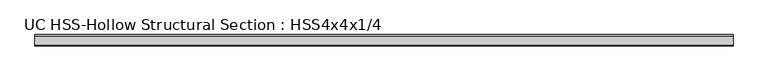
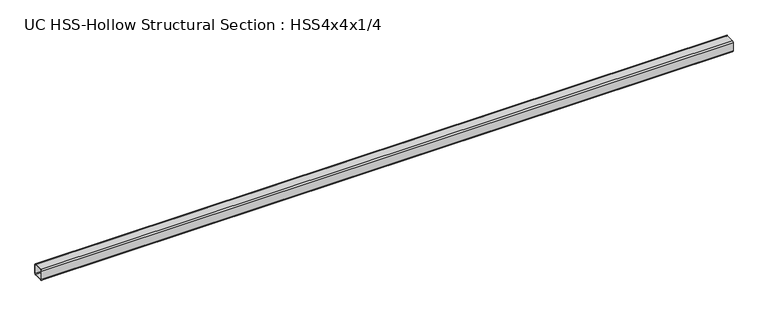
"""IFC4 building model written with IfcOpenShell, lengths in millimetres: member geometry, UC HSS-Hollow Structural Section : HSS4x4x1/4."""

from ifc_helpers import new_model, si_unit, point, frame, frame_2d, origin, place, context, project, spatial, polyline, circle_curve, trimmed, segment, composite_curve, outline, extrude, source, transform, mapped, element, save


def uc_hss_hollow_structural_section_hss4x4x1_4_de60bf63(model_context):
    return source(origin(), model_context, "Body", "SweptSolid", [
        extrude(outline(composite_curve([segment(polyline([(50.8, 38.9636), (50.8, -38.9636)]), True, "CONTINUOUS"), segment(trimmed(circle_curve(frame_2d((38.9636, -38.9636)), 11.8364), [point((50.8, -38.9636))], [point((38.9636, -50.8))], False, "CARTESIAN"), True, "CONTINUOUS"), segment(polyline([(38.9636, -50.8), (-38.9636, -50.8)]), True, "CONTINUOUS"), segment(trimmed(circle_curve(frame_2d((-38.9636, -38.9636)), 11.8364), [point((-38.9636, -50.8))], [point((-50.8, -38.9636))], False, "CARTESIAN"), True, "CONTINUOUS"), segment(polyline([(-50.8, -38.9636), (-50.8, 38.9636)]), True, "CONTINUOUS"), segment(trimmed(circle_curve(frame_2d((-38.9636, 38.9636)), 11.8364), [point((-50.8, 38.9636))], [point((-38.9636, 50.8))], False, "CARTESIAN"), True, "CONTINUOUS"), segment(polyline([(-38.9636, 50.8), (38.9636, 50.8)]), True, "CONTINUOUS"), segment(trimmed(circle_curve(frame_2d((38.9636, 38.9636)), 11.8364), [point((38.9636, 50.8))], [point((50.8, 38.9636))], False, "CARTESIAN"), True, "CONTINUOUS")], self_intersect=False), holes=[composite_curve([segment(trimmed(circle_curve(frame_2d((-38.9636, 38.9636)), 5.9182), [point((-38.9636, 44.8818))], [point((-44.8818, 38.9636))], True, "CARTESIAN"), True, "CONTINUOUS"), segment(polyline([(-44.8818, 38.9636), (-44.8818, -38.9636)]), True, "CONTINUOUS"), segment(trimmed(circle_curve(frame_2d((-38.9636, -38.9636)), 5.9182), [point((-44.8818, -38.9636))], [point((-38.9636, -44.8818))], True, "CARTESIAN"), True, "CONTINUOUS"), segment(polyline([(-38.9636, -44.8818), (38.9636, -44.8818)]), True, "CONTINUOUS"), segment(trimmed(circle_curve(frame_2d((38.9636, -38.9636)), 5.9182), [point((38.9636, -44.8818))], [point((44.8818, -38.9636))], True, "CARTESIAN"), True, "CONTINUOUS"), segment(polyline([(44.8818, -38.9636), (44.8818, 38.9636)]), True, "CONTINUOUS"), segment(trimmed(circle_curve(frame_2d((38.9636, 38.9636)), 5.9182), [point((44.8818, 38.9636))], [point((38.9636, 44.8818))], True, "CARTESIAN"), True, "CONTINUOUS"), segment(polyline([(38.9636, 44.8818), (-38.9636, 44.8818)]), True, "CONTINUOUS")], self_intersect=False)]), frame((-3021.8746184, 0.0, 0.0), z_axis=(1.0, 0.0, 0.0), x_axis=(0.0, 1.0, 0.0)), (0.0, 0.0, 1.0), 6194.4161235),
    ])


if __name__ == "__main__":
    model = new_model("IFC4")
    model_context = context("Model", 3, world=origin())
    ifc_project = project(units=[si_unit("LENGTHUNIT", "METRE", prefix="MILLI")], contexts=[model_context])
    site = spatial("IfcSite", under=ifc_project)
    building = spatial("IfcBuilding", under=site)
    placement = place(None, origin())
    uc_hss_hollow_structural_section_hss4x4x1_4_shape = uc_hss_hollow_structural_section_hss4x4x1_4_de60bf63(model_context)
    element("IfcMember", 1, ObjectType="UC HSS-Hollow Structural Section : HSS4x4x1/4", at=placement, inside=building, context=model_context, shape_type="MappedRepresentation", body=[
        mapped(uc_hss_hollow_structural_section_hss4x4x1_4_shape, transform((0.0, 0.0, 0.0), x_axis=(1.0, 0.0, 0.0), y_axis=(0.0, 1.0, 0.0), z_axis=(0.0, 0.0, 1.0))),
    ])
    save(model, "model.ifc")
